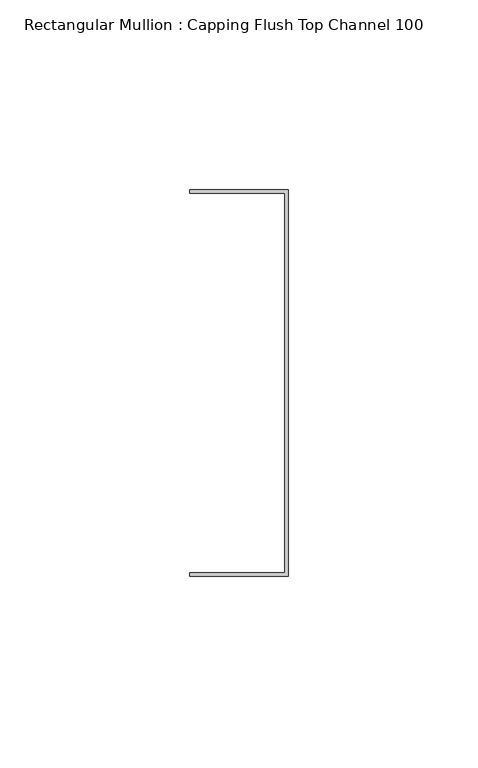
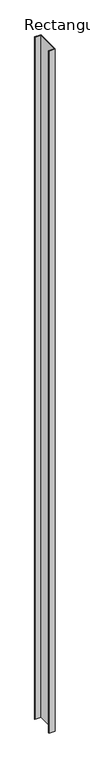
"""IFC4 building model written with IfcOpenShell, lengths in millimetres: member geometry, Rectangular Mullion : Capping Flush Top Channel 100."""

from ifc_helpers import new_model, si_unit, frame, origin, place, context, project, spatial, polyline, outline, extrude, source, transform, mapped, element, save


def rectangular_mullion_capping_flush_top_channel_100_39c00bb0(model_context):
    return source(origin(), model_context, "Body", "SweptSolid", [
        extrude(outline(polyline([(-0.95, -50.0), (-0.95, 50.0), (-25.95, 50.0), (-25.95, 50.95), (0.0, 50.95), (0.0, -50.95), (-25.95, -50.95), (-25.95, -50.0), (-0.95, -50.0)])), frame((0.0, 0.0, -3000.0), z_axis=(0.0, 0.0, 1.0), x_axis=(1.0, 0.0, 0.0)), (0.0, 0.0, 1.0), 3000.0),
    ])


if __name__ == "__main__":
    model = new_model("IFC4")
    model_context = context("Model", 3, world=origin())
    ifc_project = project(units=[si_unit("LENGTHUNIT", "METRE", prefix="MILLI")], contexts=[model_context])
    site = spatial("IfcSite", under=ifc_project)
    building = spatial("IfcBuilding", under=site)
    placement = place(None, origin())
    rectangular_mullion_capping_flush_top_channel_100_shape = rectangular_mullion_capping_flush_top_channel_100_39c00bb0(model_context)
    element("IfcMember", 1, ObjectType="Rectangular Mullion : Capping Flush Top Channel 100", at=placement, inside=building, context=model_context, shape_type="MappedRepresentation", body=[
        mapped(rectangular_mullion_capping_flush_top_channel_100_shape, transform((0.0, 0.0, 0.0), x_axis=(1.0, 0.0, 0.0), y_axis=(0.0, 1.0, 0.0), z_axis=(0.0, 0.0, 1.0))),
    ])
    save(model, "model.ifc")
